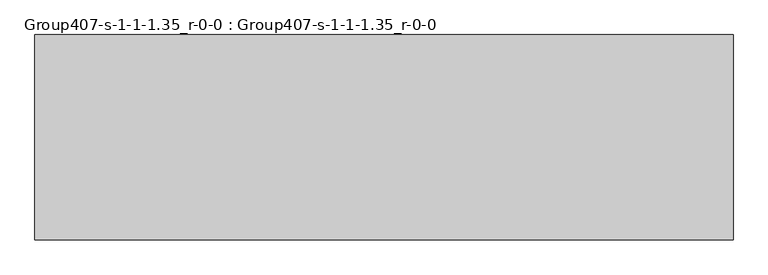
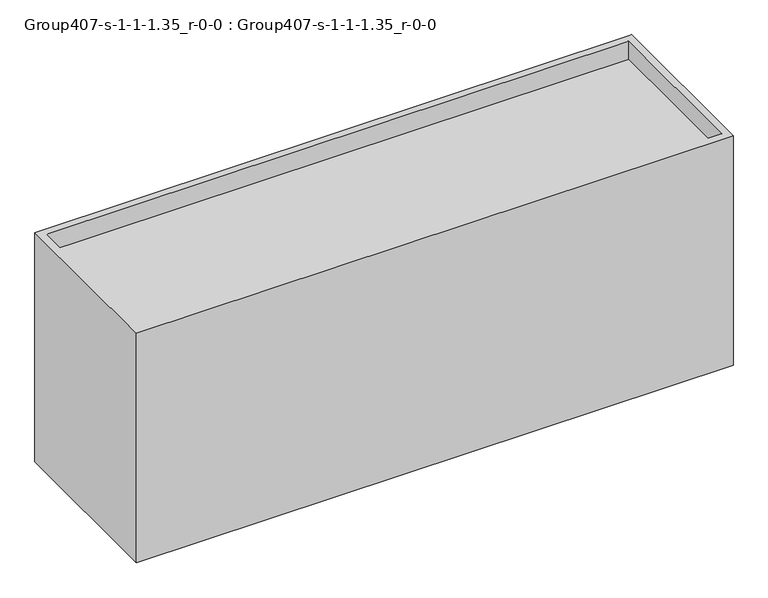
"""IFC4 building model written with IfcOpenShell, lengths in millimetres: geographic element geometry, Group407-s-1-1-1.35_r-0-0 : Group407-s-1-1-1.35_r-0-0."""

from ifc_helpers import new_model, si_unit, origin, place, context, project, spatial, triangles, source, transform, mapped, element, save


def group407_s_1_1_1_35_r_0_0_group407_s_1_1_1_35_r_0_0_3c6da0cc(model_context):
    return source(origin(), model_context, "Body", "Tessellation", [
        triangles([(16976.7253876, 7585.0748062, 0.0), (-8792.4749451, 0.0, 0.0), (-8792.4749451, 7585.0748062, 0.0), (16976.7253876, 0.0, 0.0), (-8487.6749451, 7280.2748062, 9649.8952835), (-8487.6749451, 304.8, 10472.8549347), (-8487.6749451, 304.8, 9649.8952835), (-8487.6749451, 7280.2748062, 10472.8549347), (16976.7253876, 0.0, 10472.8549347), (16976.7253876, 7585.0748062, 10472.8549347), (16671.9253876, 7280.2748062, 10472.8549347), (16671.9253876, 304.8, 9649.8952835), (16671.9253876, 304.8, 10472.8549347), (16671.9253876, 7280.2748062, 9649.8952835), (-8792.4749451, 0.0, 10472.8549347), (-8792.4749451, 7585.0748062, 10472.8549347)], [[1, 2, 3], [2, 1, 4], [5, 6, 7], [6, 5, 8], [1, 9, 4], [9, 1, 10], [11, 12, 13], [12, 11, 14], [4, 15, 2], [15, 4, 9], [6, 12, 7], [12, 6, 13], [15, 6, 16], [6, 15, 9], [6, 9, 13], [13, 9, 11], [16, 8, 10], [8, 16, 6], [10, 8, 11], [10, 11, 9], [11, 5, 14], [5, 11, 8], [12, 5, 7], [5, 12, 14], [16, 1, 3], [1, 16, 10], [15, 3, 2], [3, 15, 16]]),
    ])


if __name__ == "__main__":
    model = new_model("IFC4")
    model_context = context("Model", 3, world=origin())
    ifc_project = project(units=[si_unit("LENGTHUNIT", "METRE", prefix="MILLI")], contexts=[model_context])
    site = spatial("IfcSite", under=ifc_project)
    building = spatial("IfcBuilding", under=site)
    placement = place(None, origin())
    group407_s_1_1_1_35_r_0_0_group407_s_1_1_1_35_r_0_0_shape = group407_s_1_1_1_35_r_0_0_group407_s_1_1_1_35_r_0_0_3c6da0cc(model_context)
    element("IfcGeographicElement", 1, ObjectType="Group407-s-1-1-1.35_r-0-0 : Group407-s-1-1-1.35_r-0-0", at=placement, inside=building, context=model_context, shape_type="MappedRepresentation", body=[
        mapped(group407_s_1_1_1_35_r_0_0_group407_s_1_1_1_35_r_0_0_shape, transform((0.0, 0.0, 0.0), x_axis=(1.0, 0.0, 0.0), y_axis=(0.0, 1.0, 0.0), z_axis=(0.0, 0.0, 1.0))),
    ])
    save(model, "model.ifc")
